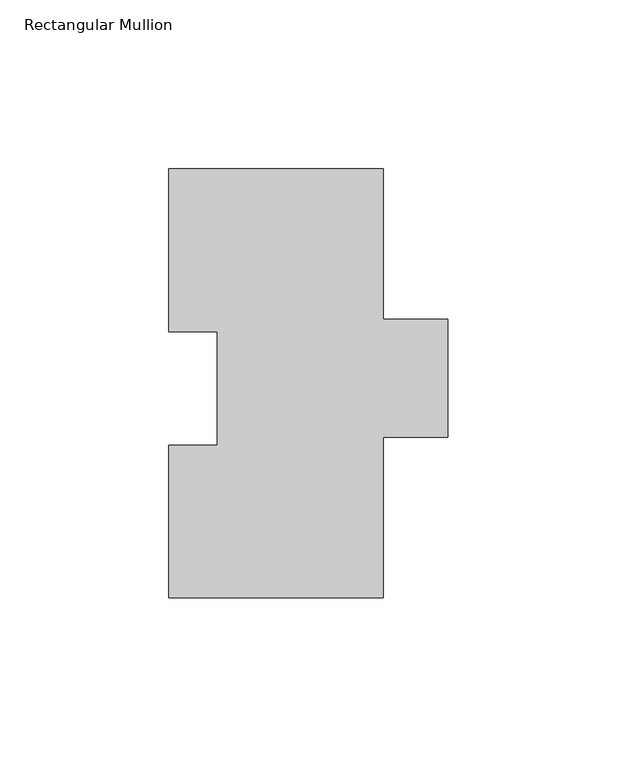
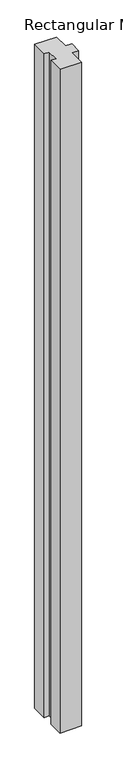
"""IFC4 building model written with IfcOpenShell, lengths in millimetres: member geometry, Rectangular Mullion."""

from ifc_helpers import new_model, si_unit, frame, origin, place, context, project, spatial, polyline, outline, extrude, source, transform, mapped, element, save


def rectangular_mullion_0e90570c(model_context):
    return source(origin(), model_context, "Body", "SweptSolid", [
        extrude(outline(polyline([(31.75, 6.6365438), (-31.75, 6.6365438), (-31.75, 51.7723437), (-17.4625, 51.7723437), (-17.4625, 85.4273437), (-31.75, 85.4273437), (-31.75, 133.6365438), (31.75, 133.6365438), (31.75, 89.1865438), (50.8, 89.1865438), (50.8, 54.2615438), (31.75, 54.2615438), (31.75, 6.6365438)])), frame((0.0, 0.0, -2045.2989057), z_axis=(0.0, 0.0, 1.0), x_axis=(1.0, 0.0, 0.0)), (0.0, 0.0, 1.0), 2045.2989057),
    ])


if __name__ == "__main__":
    model = new_model("IFC4")
    model_context = context("Model", 3, world=origin())
    ifc_project = project(units=[si_unit("LENGTHUNIT", "METRE", prefix="MILLI")], contexts=[model_context])
    site = spatial("IfcSite", under=ifc_project)
    building = spatial("IfcBuilding", under=site)
    placement = place(None, origin())
    rectangular_mullion_shape = rectangular_mullion_0e90570c(model_context)
    element("IfcMember", 1, ObjectType="Rectangular Mullion", at=placement, inside=building, context=model_context, shape_type="MappedRepresentation", body=[
        mapped(rectangular_mullion_shape, transform((0.0, 0.0, 0.0), x_axis=(1.0, 0.0, 0.0), y_axis=(0.0, 1.0, 0.0), z_axis=(0.0, 0.0, 1.0))),
    ])
    save(model, "model.ifc")
